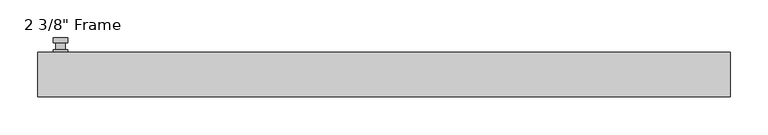
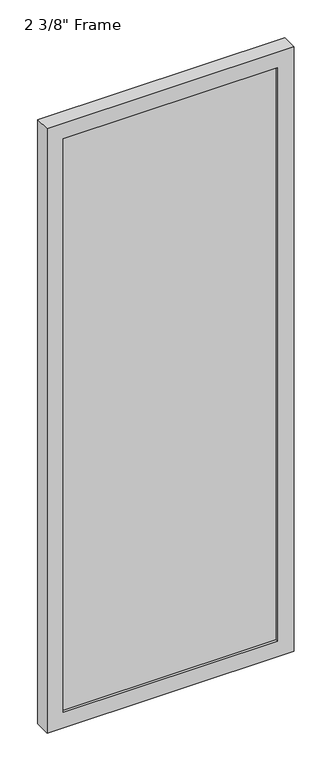
"""IFC4 building model written with IfcOpenShell, lengths in millimetres: plate geometry."""

from ifc_helpers import new_model, si_unit, frame, origin, place, context, project, spatial, polyline, circle_curve, outline, extrude, faceted_brep, source, transform, mapped, element, save
from ifc_brep_helpers import plane_surface, cylinder_surface, advanced_brep


def plate_a9223ce7(model_context):
    return source(origin(), model_context, "Body", "SolidModel", [
        advanced_brep(
        [(-418.30625, 29.36875, 927.1), (-437.35625, 29.36875, 927.1), (-437.35625, 29.36875, 901.7), (-418.30625, 29.36875, 901.7), (-421.48125, 42.06875, 914.4), (-421.48125, 32.54375, 914.4), (-434.18125, 32.54375, 914.4), (-434.18125, 42.06875, 914.4), (-418.30625, 42.06875, 914.4), (-437.35625, 42.06875, 914.4), (-434.1772144, 42.06875, 825.2736467), (-421.4852856, 42.06875, 825.2736467), (-418.30625, 48.41875, 914.4), (-421.4852856, 48.41875, 825.2736467), (-434.1772144, 48.41875, 825.2736467), (-437.35625, 48.41875, 914.4), (-418.30625, 32.54375, 927.1), (-418.30625, 32.54375, 901.7), (-437.35625, 32.54375, 901.7), (-437.35625, 32.54375, 927.1)],
        [
            (0, 1, circle_curve(frame((-427.83125, 29.36875, 927.1), z_axis=(0.0, -1.0, 0.0), x_axis=(-1.0, 0.0, 0.0)), 9.525)),
            (1, 2),
            (2, 3, circle_curve(frame((-427.83125, 29.36875, 901.7), z_axis=(0.0, -1.0, 0.0), x_axis=(-1.0, 0.0, 0.0)), 9.525)),
            (3, 0),
            (4, 5),
            (5, 6, circle_curve(frame((-427.83125, 32.54375, 914.4), z_axis=(0.0, 1.0, 0.0), x_axis=(-1.0, 0.0, 0.0)), 6.35)),
            (6, 7),
            (7, 4, circle_curve(frame((-427.83125, 42.06875, 914.4), z_axis=(0.0, -1.0, 0.0), x_axis=(-1.0, 0.0, 0.0)), 6.35)),
            (6, 5, circle_curve(frame((-427.83125, 32.54375, 914.4), z_axis=(0.0, 1.0, 0.0), x_axis=(-1.0, 0.0, 0.0)), 6.35)),
            (4, 7, circle_curve(frame((-427.83125, 42.06875, 914.4), z_axis=(0.0, -1.0, 0.0), x_axis=(-1.0, 0.0, 0.0)), 6.35)),
            (8, 9, circle_curve(frame((-427.83125, 42.06875, 914.4), z_axis=(0.0, -1.0, 0.0), x_axis=(-1.0, 0.0, 0.0)), 9.525)),
            (9, 10),
            (10, 11, circle_curve(frame((-427.83125, 42.06875, 825.5), z_axis=(0.0, -1.0, 0.0), x_axis=(-1.0, 0.0, 0.0)), 6.35)),
            (11, 8),
            (12, 13),
            (13, 14, circle_curve(frame((-427.83125, 48.41875, 825.5), z_axis=(0.0, 1.0, 0.0), x_axis=(-1.0, 0.0, 0.0)), 6.35)),
            (14, 15),
            (15, 12, circle_curve(frame((-427.83125, 48.41875, 914.4), z_axis=(0.0, 1.0, 0.0), x_axis=(-1.0, 0.0, 0.0)), 9.525)),
            (11, 13),
            (12, 8),
            (10, 14),
            (9, 15),
            (16, 17),
            (17, 18, circle_curve(frame((-427.83125, 32.54375, 901.7), z_axis=(0.0, 1.0, 0.0), x_axis=(-1.0, 0.0, 0.0)), 9.525)),
            (18, 19),
            (19, 16, circle_curve(frame((-427.83125, 32.54375, 927.1), z_axis=(0.0, 1.0, 0.0), x_axis=(-1.0, 0.0, 0.0)), 9.525)),
            (3, 17),
            (16, 0),
            (2, 18),
            (1, 19),
        ],
        [
            plane_surface(frame((-434.18125, 29.36875, 914.4), z_axis=(0.0, -1.0, 0.0), x_axis=(0.0, 0.0, 1.0))),
            cylinder_surface(frame((-427.83125, 42.06875, 914.4), z_axis=(0.0, -1.0, 0.0), x_axis=(-1.0, 0.0, 0.0)), 6.35),
            plane_surface(frame((-418.30625, 42.06875, 914.4), z_axis=(0.0, -1.0000000000000002, 0.0), x_axis=(-0.03564619348186888, 0.0, -0.9993644724975235))),
            plane_surface(frame((-418.30625, 48.41875, 914.4), z_axis=(0.0, 1.0000000000000002, 0.0), x_axis=(0.03564619348186888, 0.0, 0.9993644724975235))),
            plane_surface(frame((-418.30625, 42.06875, 914.4), z_axis=(0.9993644724975235, 0.0, -0.03564619348186888), x_axis=(0.0, 1.0, 0.0))),
            cylinder_surface(frame((-427.83125, 48.41875, 825.5), z_axis=(0.0, -1.0, 0.0), x_axis=(-1.0, 0.0, 0.0)), 6.35),
            plane_surface(frame((-434.1772144, 42.06875, 825.2736467), z_axis=(-0.9993644724975228, 0.0, -0.03564619348188612), x_axis=(0.0, 1.0, 0.0))),
            cylinder_surface(frame((-427.83125, 48.41875, 914.4), z_axis=(0.0, -1.0, 0.0), x_axis=(-1.0, 0.0, 0.0)), 9.525),
            plane_surface(frame((-418.30625, 32.54375, 901.7), z_axis=(0.0, 1.0, 0.0), x_axis=(0.0, 0.0, 1.0))),
            plane_surface(frame((-418.30625, 29.36875, 927.1), z_axis=(1.0, 0.0, 0.0), x_axis=(0.0, 1.0, 0.0))),
            cylinder_surface(frame((-427.83125, 32.54375, 901.7), z_axis=(0.0, -1.0, 0.0), x_axis=(-1.0, 0.0, 0.0)), 9.525),
            plane_surface(frame((-437.35625, 29.36875, 901.7), z_axis=(-1.0, 0.0, 0.0), x_axis=(0.0, 1.0, 0.0))),
            cylinder_surface(frame((-427.83125, 32.54375, 927.1), z_axis=(0.0, -1.0, 0.0), x_axis=(-1.0, 0.0, 0.0)), 9.525),
        ],
        [
            (0, [[1, 2, 3, 4]]),
            (1, [[5, 6, 7, 8]]),
            (1, [[-7, 9, -5, 10]]),
            (2, [[11, 12, 13, 14], [-10, -8]]),
            (3, [[15, 16, 17, 18]]),
            (4, [[19, -15, 20, -14]]),
            (5, [[21, -16, -19, -13]]),
            (6, [[22, -17, -21, -12]]),
            (7, [[-20, -18, -22, -11]]),
            (8, [[23, 24, 25, 26], [-9, -6]]),
            (9, [[27, -23, 28, -4]]),
            (10, [[29, -24, -27, -3]]),
            (11, [[30, -25, -29, -2]]),
            (12, [[-28, -26, -30, -1]]),
        ],
    ),
        faceted_brep([(-457.99375, 29.36875, 0.0), (457.99375, 29.36875, 0.0), (457.99375, -29.36875, 0.0), (-457.99375, -29.36875, 0.0), (-397.66875, -29.36875, 2306.6375), (-397.66875, -29.36875, 60.325), (-397.66875, -19.84375, 60.325), (-397.66875, -19.84375, 2306.6375), (410.36875, -19.84375, 2319.3375), (410.36875, -19.84375, 47.625), (-410.36875, -19.84375, 47.625), (-410.36875, -19.84375, 2319.3375), (397.66875, -19.84375, 60.325), (397.66875, -19.84375, 2306.6375), (-410.36875, 3.96875, 47.625), (-410.36875, 3.96875, 2319.3375), (410.36875, 3.96875, 47.625), (410.36875, 3.96875, 2319.3375), (-397.66875, 3.96875, 2306.6375), (397.66875, 3.96875, 2306.6375), (397.66875, 3.96875, 60.325), (-397.66875, 3.96875, 60.325), (-397.66875, 29.36875, 60.325), (-397.66875, 29.36875, 2306.6375), (-457.99375, 29.36875, 2366.9625), (457.99375, 29.36875, 2366.9625), (397.66875, 29.36875, 60.325), (397.66875, 29.36875, 2306.6375), (-457.99375, -29.36875, 2366.9625), (457.99375, -29.36875, 2366.9625), (397.66875, -29.36875, 2306.6375), (397.66875, -29.36875, 60.325)], [[[0, 1, 2, 3]], [[4, 5, 6, 7]], [[8, 9, 10, 11], [7, 6, 12, 13]], [[10, 14, 15, 11]], [[15, 14, 16, 17], [18, 19, 20, 21]], [[18, 21, 22, 23]], [[0, 24, 25, 1], [23, 22, 26, 27]], [[3, 28, 24, 0]], [[2, 29, 28, 3], [4, 30, 31, 5]], [[7, 13, 30, 4]], [[11, 15, 17, 8]], [[18, 23, 27, 19]], [[24, 28, 29, 25]], [[13, 12, 31, 30]], [[16, 9, 8, 17]], [[27, 26, 20, 19]], [[25, 29, 2, 1]], [[22, 21, 20, 26]], [[9, 16, 14, 10]], [[6, 5, 31, 12]]]),
        extrude(outline(polyline([(410.36875, 3.96875), (410.36875, -19.84375), (-410.36875, -19.84375), (-410.36875, 3.96875), (410.36875, 3.96875)])), frame((0.0, 0.0, 47.625), z_axis=(0.0, 0.0, 1.0), x_axis=(1.0, 0.0, 0.0)), (0.0, 0.0, 1.0), 2271.7125),
    ])


if __name__ == "__main__":
    model = new_model("IFC4")
    model_context = context("Model", 3, world=origin())
    ifc_project = project(units=[si_unit("LENGTHUNIT", "METRE", prefix="MILLI")], contexts=[model_context])
    site = spatial("IfcSite", under=ifc_project)
    building = spatial("IfcBuilding", under=site)
    placement = place(None, origin())
    plate_shape = plate_a9223ce7(model_context)
    element("IfcPlate", 1, ObjectType="2 3/8\" Frame", at=placement, inside=building, context=model_context, shape_type="MappedRepresentation", body=[
        mapped(plate_shape, transform((0.0, 0.0, 0.0), x_axis=(1.0, 0.0, 0.0), y_axis=(0.0, 1.0, 0.0), z_axis=(0.0, 0.0, 1.0))),
    ])
    save(model, "model.ifc")
